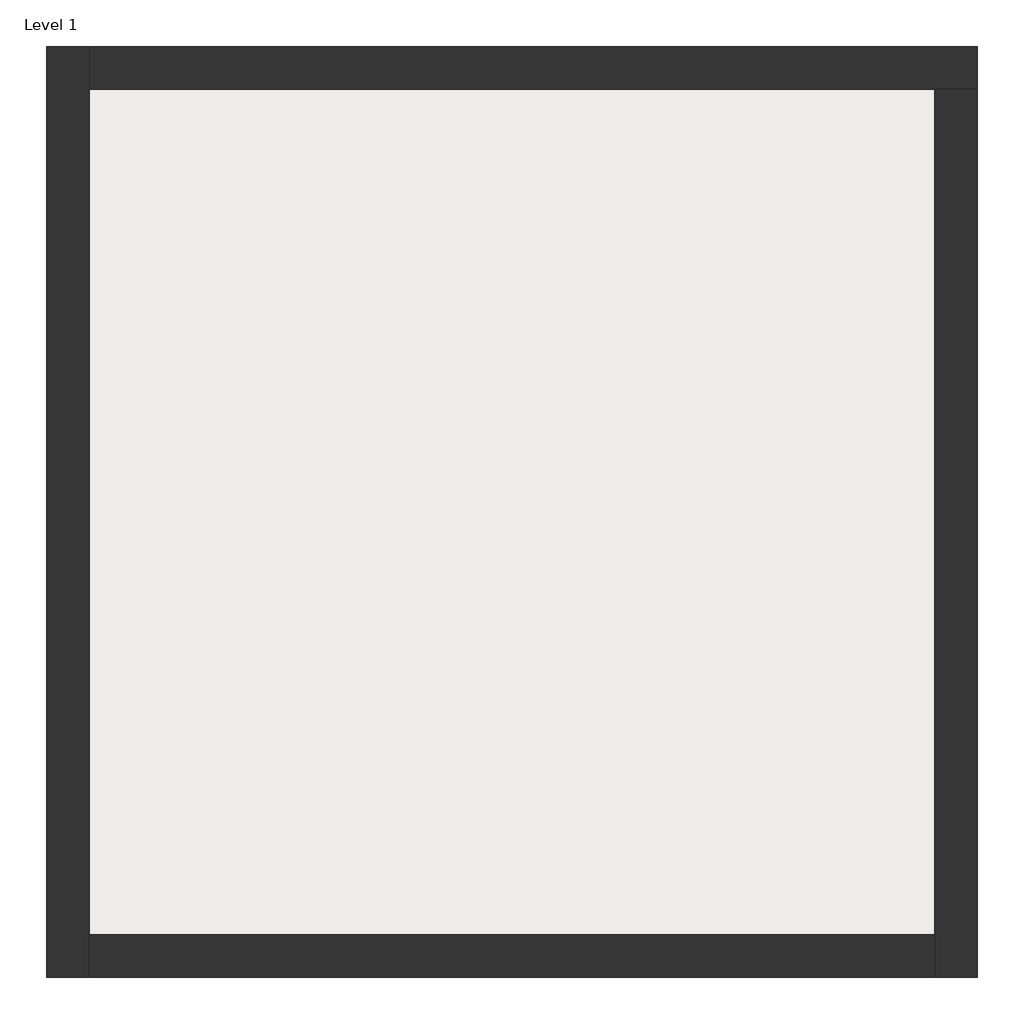
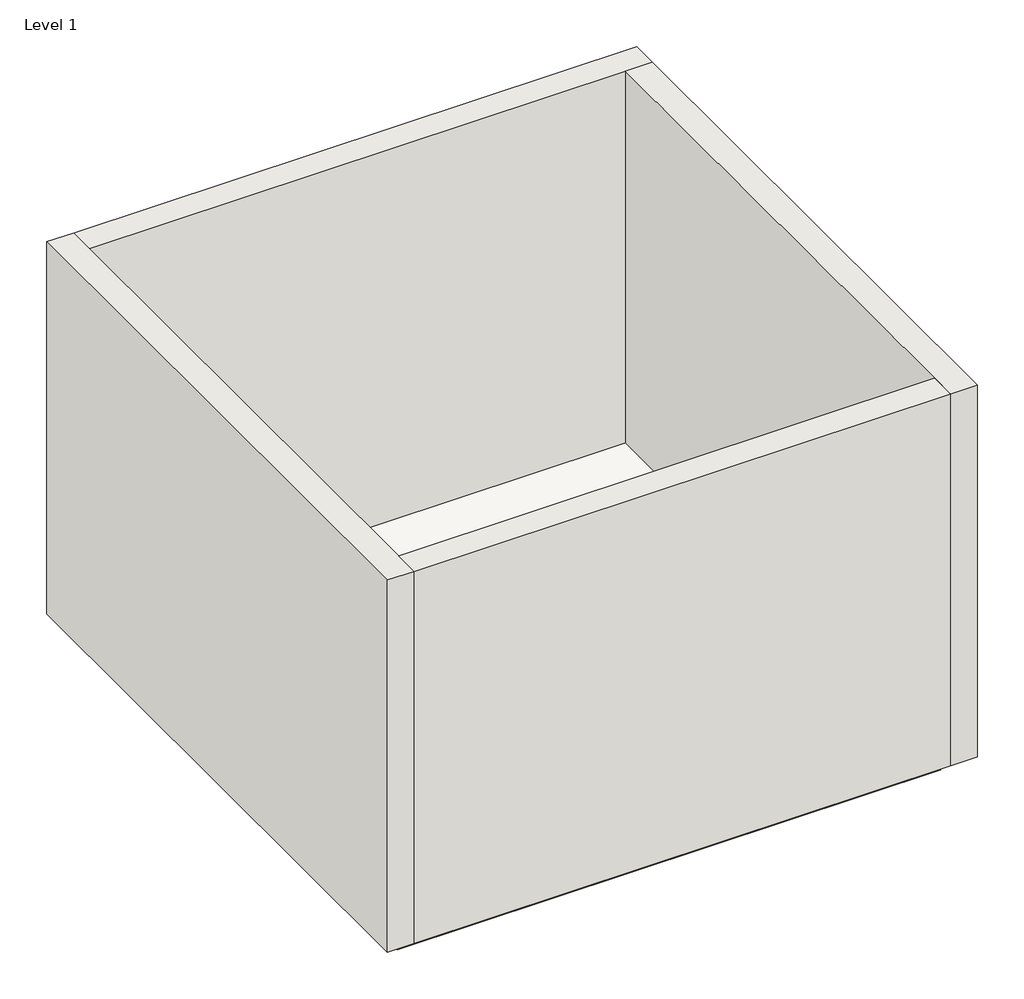
# One storey: 4 walls, 1 slab.
"""IFC4 building model written with IfcOpenShell, lengths in millimetres."""

from ifc_helpers import new_model, si_unit, frame, origin, origin_with_axes, place, context, project, spatial, polyline, outline, extrude, faceted_brep, element, save

model = new_model("IFC4")

# Units and contexts
model_context = context("Model", 3, world=origin())
ifc_project = project(units=[si_unit("LENGTHUNIT", "METRE", prefix="MILLI")], contexts=[model_context])

# Site, building, storey
site = spatial("IfcSite", under=ifc_project)
building = spatial("IfcBuilding", under=site)
storey = spatial("IfcBuildingStorey", under=building, Name="Level 1", Elevation=0.0)

# Slab
placement = place(None, origin())
element("IfcSlab", 1, ObjectType="Generic - 12\"", at=placement, inside=storey, context=model_context, shape_type="SweptSolid", body=[
    extrude(outline(polyline([(-932.6312698, 8523.3398528), (-932.6312698, 103.2398528), (-9352.7312698, 103.2398528), (-9352.7312698, 8523.3398528), (-932.6312698, 8523.3398528)])), frame((0.0, 0.0, -304.8), z_axis=(0.0, 0.0, 1.0), x_axis=(1.0, 0.0, 0.0)), (0.0, 0.0, 1.0), 304.8),
])

# Walls
element("IfcWall", 2, at=placement, inside=storey, context=model_context, shape_type="Brep", body=[
    faceted_brep([(-9295.5812698, -258.7101472, 0.0), (-9295.5812698, 160.3898528, 0.0), (-9295.5812698, 8466.1898528, 0.0), (-9295.5812698, 8885.2898528, 0.0), (-9295.5812698, 8885.2898528, 6096.0), (-9295.5812698, 8466.1898528, 6096.0), (-9295.5812698, 160.3898528, 6096.0), (-9295.5812698, -258.7101472, 6096.0), (-9714.6812698, -258.7101472, 0.0), (-9714.6812698, -258.7101472, 6096.0), (-9714.6812698, 8885.2898528, 6096.0), (-9714.6812698, 8885.2898528, 0.0)], [[[0, 1, 2, 3, 4, 5, 6, 7]], [[8, 9, 10, 11]], [[3, 2, 1, 0, 8, 11]], [[7, 6, 5, 4, 10, 9]], [[4, 3, 11, 10]], [[0, 7, 9, 8]]]),
])
element("IfcWall", 3, at=placement, inside=storey, context=model_context, shape_type="Brep", body=[
    faceted_brep([(-9295.5812698, 8466.1898528, 0.0), (-989.7812698, 8466.1898528, 0.0), (-570.6812698, 8466.1898528, 0.0), (-570.6812698, 8466.1898528, 6096.0), (-989.7812698, 8466.1898528, 6096.0), (-9295.5812698, 8466.1898528, 6096.0), (-9295.5812698, 8885.2898528, 0.0), (-9295.5812698, 8885.2898528, 6096.0), (-570.6812698, 8885.2898528, 6096.0), (-570.6812698, 8885.2898528, 0.0)], [[[0, 1, 2, 3, 4, 5]], [[6, 7, 8, 9]], [[2, 1, 0, 6, 9]], [[5, 4, 3, 8, 7]], [[0, 5, 7, 6]], [[3, 2, 9, 8]]]),
])
element("IfcWall", 4, at=placement, inside=storey, context=model_context, shape_type="Brep", body=[
    faceted_brep([(-989.7812698, 8466.1898528, 0.0), (-989.7812698, 160.3898528, 0.0), (-989.7812698, -258.7101472, 0.0), (-989.7812698, -258.7101472, 6096.0), (-989.7812698, 160.3898528, 6096.0), (-989.7812698, 8466.1898528, 6096.0), (-570.6812698, 8466.1898528, 0.0), (-570.6812698, 8466.1898528, 6096.0), (-570.6812698, -258.7101472, 6096.0), (-570.6812698, -258.7101472, 0.0)], [[[0, 1, 2, 3, 4, 5]], [[6, 7, 8, 9]], [[2, 1, 0, 6, 9]], [[5, 4, 3, 8, 7]], [[0, 5, 7, 6]], [[3, 2, 9, 8]]]),
])
element("IfcWall", 5, at=placement, inside=storey, context=model_context, shape_type="SweptSolid", body=[
    extrude(outline(polyline([(-9295.5812698, 160.3898528), (-989.7812698, 160.3898528), (-989.7812698, -258.7101472), (-9295.5812698, -258.7101472), (-9295.5812698, 160.3898528)])), origin_with_axes(), (0.0, 0.0, 1.0), 6096.0),
])

save(model, "model.ifc")
